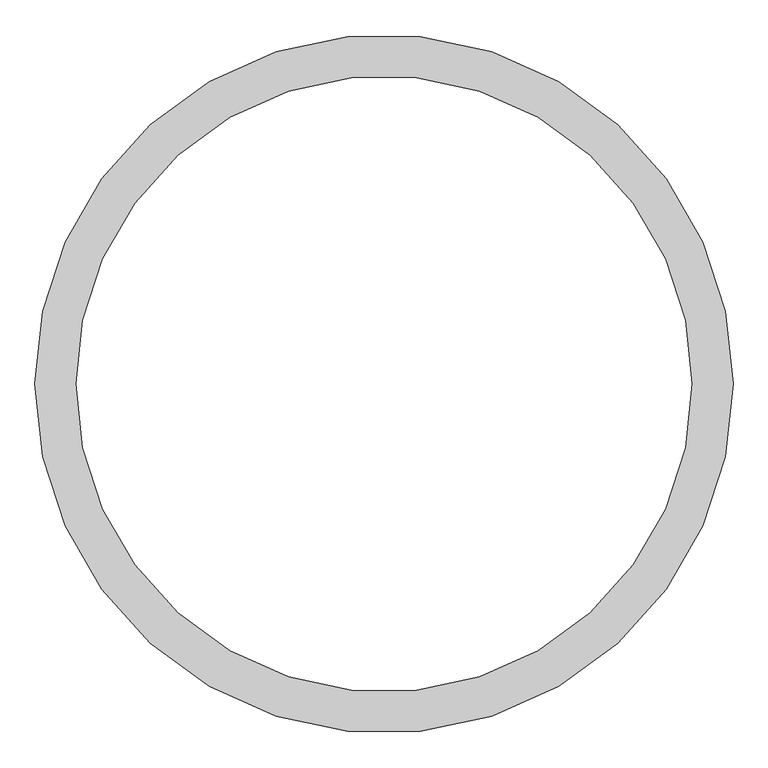
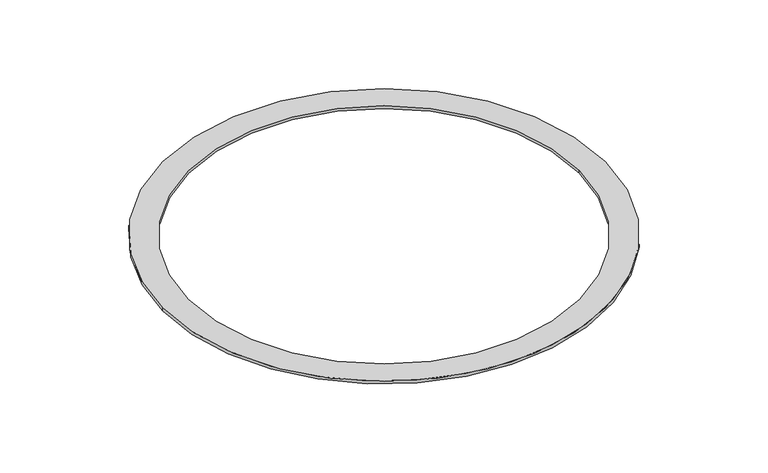
"""IFC4 building model written with IfcOpenShell, lengths in millimetres: furniture geometry."""

from ifc_helpers import new_model, si_unit, point, origin, origin_with_axes, origin_2d, place, context, project, spatial, circle_curve, trimmed, segment, composite_curve, outline, extrude, source, transform, mapped, element, save


def furniture_2ec49666(model_context):
    return source(origin(), model_context, "Body", "SweptSolid", [
        extrude(outline(composite_curve([segment(trimmed(circle_curve(origin_2d(), 760.2902086), [point((-760.2902086, 0.0))], [point((760.2902086, 0.0))], False, "CARTESIAN"), True, "CONTINUOUS"), segment(trimmed(circle_curve(origin_2d(), 760.2902086), [point((760.2902086, 0.0))], [point((-760.2902086, 0.0))], False, "CARTESIAN"), True, "CONTINUOUS")], self_intersect=False), holes=[composite_curve([segment(trimmed(circle_curve(origin_2d(), 670.2902086), [point((670.2902086, 0.0))], [point((-670.2902086, 0.0))], True, "CARTESIAN"), True, "CONTINUOUS"), segment(trimmed(circle_curve(origin_2d(), 670.2902086), [point((-670.2902086, 0.0))], [point((670.2902086, 0.0))], True, "CARTESIAN"), True, "CONTINUOUS")], self_intersect=False)]), origin_with_axes(), (0.0, 0.0, 1.0), 10.0),
    ])


if __name__ == "__main__":
    model = new_model("IFC4")
    model_context = context("Model", 3, world=origin())
    ifc_project = project(units=[si_unit("LENGTHUNIT", "METRE", prefix="MILLI")], contexts=[model_context])
    site = spatial("IfcSite", under=ifc_project)
    building = spatial("IfcBuilding", under=site)
    placement = place(None, origin())
    furniture_shape = furniture_2ec49666(model_context)
    element("IfcFurniture", 1, at=placement, inside=building, context=model_context, shape_type="MappedRepresentation", body=[
        mapped(furniture_shape, transform((0.0, 0.0, 0.0), x_axis=(1.0, 0.0, 0.0), y_axis=(0.0, 1.0, 0.0), z_axis=(0.0, 0.0, 1.0))),
    ])
    save(model, "model.ifc")
